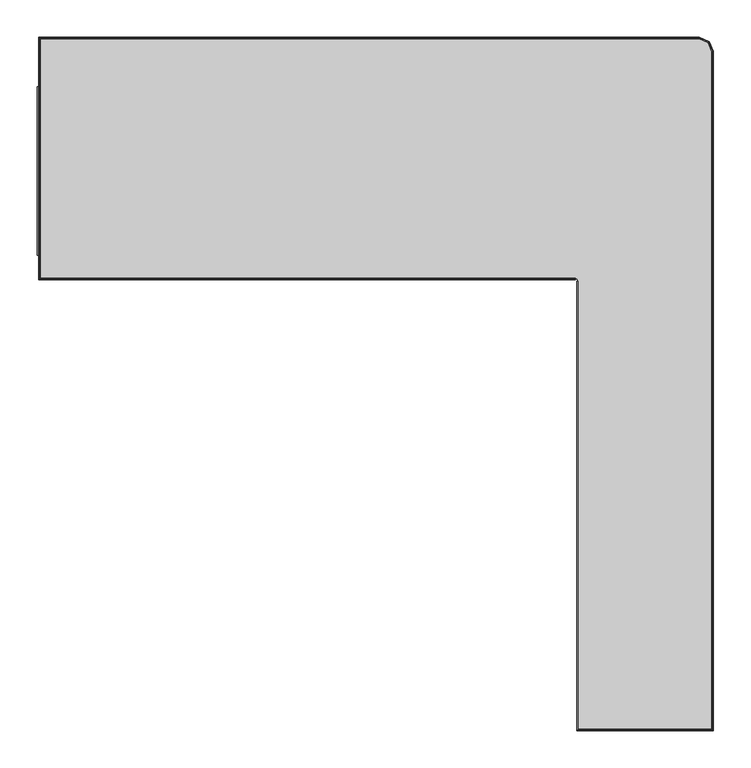
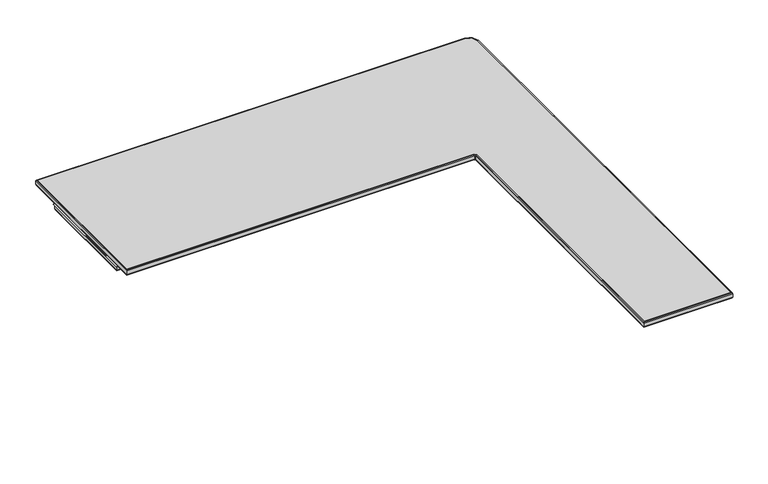
"""IFC4 building model written with IfcOpenShell, lengths in millimetres: furniture geometry."""

from ifc_helpers import new_model, si_unit, frame, origin, place, context, project, spatial, polyline, outline, extrude, faceted_brep, source, transform, mapped, element, save


def furniture_69a0b2df(model_context):
    return source(origin(), model_context, "Body", "SolidModel", [
        faceted_brep([(754.3958372, -216.5042085, 1043.3858042), (753.8100445, -216.5042085, 1044.799962), (753.8100445, -216.5042085, 1052.7999825), (753.2242517, -216.5042085, 1054.214213), (751.8100212, -216.5042085, 1054.8000057), (755.8099951, -216.5042085, 1054.8000057), (755.8099951, -216.5042085, 1042.8000114), (754.3958372, -825.7733603, 1043.3858042), (753.8100445, -826.359153, 1044.799962), (753.8100445, -826.359153, 1052.7999825), (753.2242517, -826.9449457, 1054.214213), (751.8100212, -828.3591763, 1054.8000057), (850.5800098, -828.3591763, 1054.8000057), (850.5800098, 8.225774, 1054.8000057), (-2.1599739, 8.225774, 1054.8000057), (-2.1599739, -216.5041722, 1054.8000057), (751.8100212, -216.5041722, 1054.8000057), (751.8100212, -212.5041983, 1054.8000057), (1.84, -212.5041983, 1054.8000057), (1.84, 4.2258001, 1054.8000057), (846.580036, 4.2258001, 1054.8000057), (846.580036, -824.3592024, 1054.8000057), (755.8099951, -824.3592024, 1054.8000057), (755.8099951, -824.3592024, 1042.8000114), (847.9941938, -825.7733603, 1043.3858042), (848.5799866, -826.359153, 1044.799962), (848.5799866, -826.359153, 1052.7999825), (849.1657793, -826.9449457, 1054.214213), (846.580036, -824.3592024, 1042.8000114), (847.9941938, 5.639958, 1043.3858042), (848.5799866, 6.2257507, 1044.799962), (848.5799866, 6.2257507, 1052.7999825), (849.1657793, 6.8115434, 1054.214213), (846.580036, 4.2258001, 1042.8000114), (0.4258421, 5.639958, 1043.3858042), (-0.1599506, 6.2257507, 1044.799962), (-0.1599506, 6.2257507, 1052.7999825), (-0.7457433, 6.8115434, 1054.214213), (1.84, 4.2258001, 1042.8000114), (0.4258421, -213.9183562, 1043.3858042), (-0.1599506, -214.5041489, 1044.799962), (-0.1599506, -214.5041489, 1052.7999825), (-0.7457433, -215.0899416, 1054.214213), (1.84, -212.5041983, 1042.8000114), (751.8100212, -213.9183562, 1043.3858042), (751.8100212, -212.5041983, 1042.8000114), (751.8100212, -215.0899416, 1054.214213), (751.8100212, -214.5041489, 1052.7999825), (751.8100212, -214.5041489, 1044.799962)], [[[0, 1, 2, 3, 4, 5, 6]], [[1, 0, 7, 8]], [[2, 1, 8, 9]], [[3, 2, 9, 10]], [[4, 3, 10, 11]], [[5, 4, 11, 12, 13, 14, 15, 16, 17, 18, 19, 20, 21, 22]], [[6, 5, 22, 23]], [[0, 6, 23, 7]], [[8, 7, 24, 25]], [[9, 8, 25, 26]], [[10, 9, 26, 27]], [[11, 10, 27, 12]], [[23, 22, 21, 28]], [[7, 23, 28, 24]], [[25, 24, 29, 30]], [[26, 25, 30, 31]], [[27, 26, 31, 32]], [[12, 27, 32, 13]], [[28, 21, 20, 33]], [[24, 28, 33, 29]], [[30, 29, 34, 35]], [[31, 30, 35, 36]], [[32, 31, 36, 37]], [[13, 32, 37, 14]], [[33, 20, 19, 38]], [[29, 33, 38, 34]], [[35, 34, 39, 40]], [[36, 35, 40, 41]], [[37, 36, 41, 42]], [[14, 37, 42, 15]], [[38, 19, 18, 43]], [[34, 38, 43, 39]], [[44, 45, 17, 16, 46, 47, 48]], [[40, 39, 44, 48]], [[41, 40, 48, 47]], [[42, 41, 47, 46]], [[15, 42, 46, 16]], [[43, 18, 17, 45]], [[39, 43, 45, 44]]]),
        faceted_brep([(718.8100006, -251.5041979, 1064.7999767), (719.3957933, -251.5041979, 1066.2142073), (720.8100239, -251.5041979, 1066.8), (720.8100239, -251.5041979, 1054.8000057), (719.3957933, -251.5041979, 1055.3857985), (718.8100006, -251.5041979, 1056.800029), (718.8100006, -851.8242411, 1064.7999767), (719.3957933, -851.2384483, 1066.2142073), (720.8100239, -849.8242178, 1066.8), (720.8100239, -849.8242178, 1054.8000057), (719.3957933, -851.2384483, 1055.3857985), (718.8100006, -851.8242411, 1056.800029), (901.7, -851.8242411, 1064.7999767), (901.1142073, -851.2384483, 1066.2142073), (899.6999767, -849.8242178, 1066.8), (899.6999767, -849.8242178, 1054.8000057), (901.1142073, -851.2384483, 1055.3857985), (901.7, -851.8242411, 1056.800029), (901.7, 55.6936259, 1064.7999767), (901.1142073, 55.577105, 1066.2142073), (899.6999767, 55.2957981, 1066.8), (899.6999767, 55.2957981, 1054.8000057), (901.1142073, 55.577105, 1055.3857985), (901.7, 55.6936259, 1056.800029), (896.2369215, 68.8827215, 1064.7999767), (895.7885746, 68.4343754, 1066.2142073), (894.7061682, 67.3519709, 1066.8), (894.7061682, 67.3519709, 1054.8000057), (895.7885746, 68.4343754, 1055.3857985), (896.2369215, 68.8827215, 1056.800029), (883.0478405, 74.3458208, 1064.7999767), (882.9313191, 73.7600281, 1066.2142073), (882.650011, 72.3457976, 1066.8), (882.650011, 72.3457976, 1054.8000057), (882.9313191, 73.7600281, 1055.3857985), (883.0478405, 74.3458208, 1056.800029), (-0.2540273, 74.3458208, 1064.7999767), (0.3317655, 73.7600281, 1066.2142073), (1.745996, 72.3457976, 1066.8), (1.745996, 72.3457976, 1054.8000057), (0.3317655, 73.7600281, 1055.3857985), (-0.2540273, 74.3458208, 1056.800029), (-0.2540273, -249.5042291, 1064.7999767), (0.3317655, -248.9184364, 1066.2142073), (1.745996, -247.5042058, 1066.8), (1.745996, -247.5042058, 1054.8000057), (0.3317655, -248.9184364, 1055.3857985), (-0.2540273, -249.5042291, 1056.800029), (716.8099773, -249.5042291, 1064.7999767), (716.8099773, -249.5042291, 1056.800029), (716.8099773, -248.9184364, 1055.3857985), (716.8099773, -247.5042058, 1054.8000057), (716.8099773, -247.5042058, 1066.8030114), (716.8099773, -248.9184364, 1066.2142073)], [[[0, 1, 2, 3, 4, 5]], [[1, 0, 6, 7]], [[2, 1, 7, 8]], [[3, 2, 8, 9]], [[4, 3, 9, 10]], [[5, 4, 10, 11]], [[0, 5, 11, 6]], [[7, 6, 12, 13]], [[8, 7, 13, 14]], [[9, 8, 14, 15]], [[10, 9, 15, 16]], [[11, 10, 16, 17]], [[6, 11, 17, 12]], [[13, 12, 18, 19]], [[14, 13, 19, 20]], [[15, 14, 20, 21]], [[16, 15, 21, 22]], [[17, 16, 22, 23]], [[12, 17, 23, 18]], [[19, 18, 24, 25]], [[20, 19, 25, 26]], [[21, 20, 26, 27]], [[22, 21, 27, 28]], [[23, 22, 28, 29]], [[18, 23, 29, 24]], [[25, 24, 30, 31]], [[26, 25, 31, 32]], [[27, 26, 32, 33]], [[28, 27, 33, 34]], [[29, 28, 34, 35]], [[24, 29, 35, 30]], [[31, 30, 36, 37]], [[32, 31, 37, 38]], [[33, 32, 38, 39]], [[34, 33, 39, 40]], [[35, 34, 40, 41]], [[30, 35, 41, 36]], [[37, 36, 42, 43]], [[38, 37, 43, 44]], [[39, 38, 44, 45]], [[40, 39, 45, 46]], [[41, 40, 46, 47]], [[36, 41, 47, 42]], [[48, 49, 50, 51, 52, 53]], [[43, 42, 48, 53]], [[44, 43, 53, 52]], [[45, 44, 52, 51]], [[46, 45, 51, 50]], [[47, 46, 50, 49]], [[42, 47, 49, 48]]]),
        extrude(outline(polyline([(1.84, 4.2258001), (846.580036, 4.2258001), (846.580036, -824.3592024), (755.8099951, -824.3592024), (755.8099951, -216.5042085), (754.6384096, -213.6757656), (751.8100212, -212.5041983), (1.84, -212.5041983), (1.84, 4.2258001)])), frame((0.0, 0.0, 1042.8000114), z_axis=(0.0, 0.0, 1.0), x_axis=(1.0, 0.0, 0.0)), (0.0, 0.0, 1.0), 11.9999943),
        extrude(outline(polyline([(882.650011, 72.3457976), (894.7061682, 67.3519709), (899.6999767, 55.2957981), (899.6999767, -849.8242178), (720.8100239, -849.8242178), (720.8100239, -251.5041979), (719.6384384, -248.6757731), (716.8099773, -247.5042058), (1.745996, -247.5042058), (1.745996, 72.3457976), (882.650011, 72.3457976)])), frame((0.0, 0.0, 1054.8000057), z_axis=(0.0, 0.0, 1.0), x_axis=(1.0, 0.0, 0.0)), (0.0, 0.0, 1.0), 12.0030057),
    ])


if __name__ == "__main__":
    model = new_model("IFC4")
    model_context = context("Model", 3, world=origin())
    ifc_project = project(units=[si_unit("LENGTHUNIT", "METRE", prefix="MILLI")], contexts=[model_context])
    site = spatial("IfcSite", under=ifc_project)
    building = spatial("IfcBuilding", under=site)
    placement = place(None, origin())
    furniture_shape = furniture_69a0b2df(model_context)
    element("IfcFurniture", 1, at=placement, inside=building, context=model_context, shape_type="MappedRepresentation", body=[
        mapped(furniture_shape, transform((0.0, 0.0, 0.0), x_axis=(1.0, 0.0, 0.0), y_axis=(0.0, 1.0, 0.0), z_axis=(0.0, 0.0, 1.0))),
    ])
    save(model, "model.ifc")
